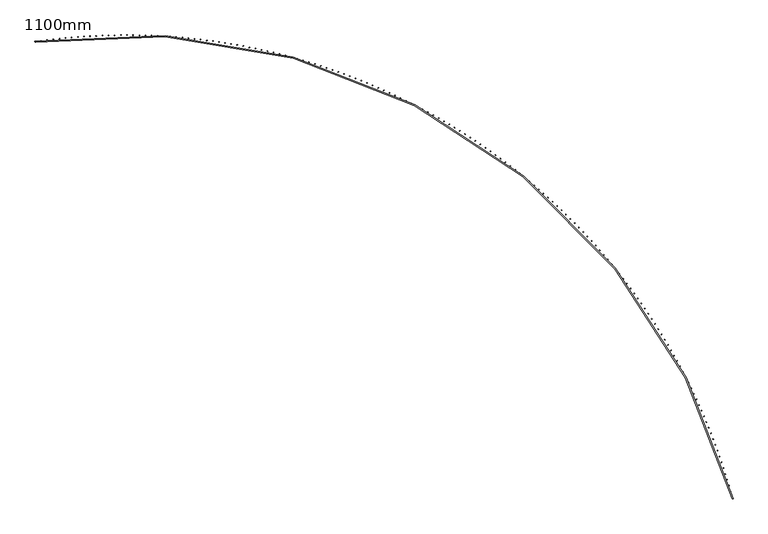
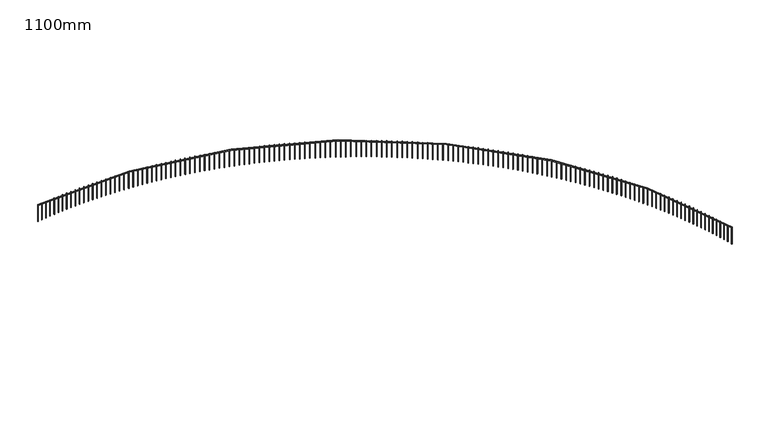
"""IFC4 building model written with IfcOpenShell, lengths in millimetres: railing geometry, 1100mm."""

from ifc_helpers import new_model, si_unit, point, frame, frame_2d, origin, place, context, project, spatial, polyline, circle_curve, trimmed, segment, composite_curve, outline, extrude, source, transform, mapped, element, save


def railing_1100mm_1d221509(model_context):
    return source(origin(), model_context, "Body", "SweptSolid", [
        extrude(outline(composite_curve([segment(trimmed(circle_curve(frame_2d((-8794.2031957, -54023.2815566)), 28027.8933111), [point((18263.3200525, -46712.1093436))], [point((-12873.1716323, -26293.787873))], True, "CARTESIAN"), True, "CONTINUOUS"), segment(polyline([(-12873.1716323, -26293.787873), (-12880.4482557, -26244.3201992)]), True, "CONTINUOUS"), segment(trimmed(circle_curve(frame_2d((-8794.2031957, -54023.2815566)), 28077.8933111), [point((-12880.4482557, -26244.3201992))], [point((18311.5889733, -46699.0666719))], False, "CARTESIAN"), True, "CONTINUOUS"), segment(polyline([(18311.5889733, -46699.0666719), (18263.3200525, -46712.1093436)]), True, "CONTINUOUS")], self_intersect=False)), frame((0.0, 0.0, 27650.0), z_axis=(0.0, 0.0, 1.0), x_axis=(1.0, 0.0, 0.0)), (0.0, 0.0, 1.0), 50.0),
        extrude(outline(polyline([(18256.6030696, -46639.6717561), (18280.7237123, -46633.0994967), (18287.2959717, -46657.2201395), (18263.1753289, -46663.7923988), (18256.6030696, -46639.6717561)])), frame((0.0, 0.0, 26600.0), z_axis=(0.0, 0.0, 1.0), x_axis=(1.0, 0.0, 0.0)), (0.0, 0.0, 1.0), 1050.0),
        extrude(outline(polyline([(18182.9236225, -46374.8541414), (18206.97868, -46368.0457491), (18213.7870723, -46392.1008067), (18189.7320147, -46398.909199), (18182.9236225, -46374.8541414)])), frame((0.0, 0.0, 26600.0), z_axis=(0.0, 0.0, 1.0), x_axis=(1.0, 0.0, 0.0)), (0.0, 0.0, 1.0), 1050.0),
        extrude(outline(polyline([(18106.6517737, -46110.7715122), (18130.6389345, -46103.7276413), (18137.6828054, -46127.7148021), (18113.6956447, -46134.758673), (18106.6517737, -46110.7715122)])), frame((0.0, 0.0, 26600.0), z_axis=(0.0, 0.0, 1.0), x_axis=(1.0, 0.0, 0.0)), (0.0, 0.0, 1.0), 1050.0),
        extrude(outline(polyline([(18027.7948528, -45847.4492458), (18051.7118117, -45840.1705731), (18058.9904844, -45864.087532), (18035.0735255, -45871.3662047), (18027.7948528, -45847.4492458)])), frame((0.0, 0.0, 26600.0), z_axis=(0.0, 0.0, 1.0), x_axis=(1.0, 0.0, 0.0)), (0.0, 0.0, 1.0), 1050.0),
        extrude(outline(polyline([(17946.3604376, -45584.9126465), (17970.2048963, -45577.3998715), (17977.7176713, -45601.2443302), (17953.8732126, -45608.7571052), (17946.3604376, -45584.9126465)])), frame((0.0, 0.0, 26600.0), z_axis=(0.0, 0.0, 1.0), x_axis=(1.0, 0.0, 0.0)), (0.0, 0.0, 1.0), 1050.0),
        extrude(outline(polyline([(17862.3563536, -45323.1869431), (17886.1260207, -45315.4407877), (17893.8721762, -45339.2104549), (17870.102509, -45346.9566103), (17862.3563536, -45323.1869431)])), frame((0.0, 0.0, 26600.0), z_axis=(0.0, 0.0, 1.0), x_axis=(1.0, 0.0, 0.0)), (0.0, 0.0, 1.0), 1050.0),
        extrude(outline(polyline([(17775.7906733, -45062.2972865), (17799.4832647, -45054.3184951), (17807.4620561, -45078.0110865), (17783.7694647, -45085.9898779), (17775.7906733, -45062.2972865)])), frame((0.0, 0.0, 26600.0), z_axis=(0.0, 0.0, 1.0), x_axis=(1.0, 0.0, 0.0)), (0.0, 0.0, 1.0), 1050.0),
        extrude(outline(polyline([(17686.6717154, -44802.2687471), (17710.2849543, -44794.0580864), (17718.4956149, -44817.6713253), (17694.882376, -44825.881986), (17686.6717154, -44802.2687471)])), frame((0.0, 0.0, 26600.0), z_axis=(0.0, 0.0, 1.0), x_axis=(1.0, 0.0, 0.0)), (0.0, 0.0, 1.0), 1050.0),
        extrude(outline(polyline([(17595.0080438, -44543.1263128), (17618.539661, -44534.6845719), (17626.9814019, -44558.2161891), (17603.4497847, -44566.65793), (17595.0080438, -44543.1263128)])), frame((0.0, 0.0, 26600.0), z_axis=(0.0, 0.0, 1.0), x_axis=(1.0, 0.0, 0.0)), (0.0, 0.0, 1.0), 1050.0),
        extrude(outline(polyline([(17500.8084671, -44284.8948862), (17524.2562014, -44276.2228762), (17532.9282113, -44299.6706105), (17509.480477, -44308.3426205), (17500.8084671, -44284.8948862)])), frame((0.0, 0.0, 26600.0), z_axis=(0.0, 0.0, 1.0), x_axis=(1.0, 0.0, 0.0)), (0.0, 0.0, 1.0), 1050.0),
        extrude(outline(polyline([(17404.0820375, -44027.5992823), (17427.4436356, -44018.6978367), (17436.3450812, -44042.0594347), (17412.9834831, -44050.9608804), (17404.0820375, -44027.5992823)])), frame((0.0, 0.0, 26600.0), z_axis=(0.0, 0.0, 1.0), x_axis=(1.0, 0.0, 0.0)), (0.0, 0.0, 1.0), 1050.0),
        extrude(outline(polyline([(17304.8380501, -43771.2642263), (17328.111267, -43762.1342004), (17337.2412929, -43785.4074173), (17313.968076, -43794.5374433), (17304.8380501, -43771.2642263)])), frame((0.0, 0.0, 26600.0), z_axis=(0.0, 0.0, 1.0), x_axis=(1.0, 0.0, 0.0)), (0.0, 0.0, 1.0), 1050.0),
        extrude(outline(polyline([(17203.0860418, -43515.9143511), (17226.2686411, -43506.5566223), (17235.62637, -43529.7392216), (17212.4437706, -43539.0969505), (17203.0860418, -43515.9143511)])), frame((0.0, 0.0, 26600.0), z_axis=(0.0, 0.0, 1.0), x_axis=(1.0, 0.0, 0.0)), (0.0, 0.0, 1.0), 1050.0),
        extrude(outline(polyline([(17098.8357907, -43261.5741949), (17121.9255446, -43251.9896623), (17131.5100771, -43275.0794163), (17108.4203232, -43284.6639488), (17098.8357907, -43261.5741949)])), frame((0.0, 0.0, 26600.0), z_axis=(0.0, 0.0, 1.0), x_axis=(1.0, 0.0, 0.0)), (0.0, 0.0, 1.0), 1050.0),
        extrude(outline(polyline([(16992.0973147, -43008.2681987), (17015.0920044, -42998.4577835), (17024.9024196, -43021.4524732), (17001.9077299, -43031.2628884), (16992.0973147, -43008.2681987)])), frame((0.0, 0.0, 26600.0), z_axis=(0.0, 0.0, 1.0), x_axis=(1.0, 0.0, 0.0)), (0.0, 0.0, 1.0), 1050.0),
        extrude(outline(polyline([(16882.8808711, -42756.0207043), (16905.7782869, -42745.9853493), (16915.813642, -42768.882765), (16892.9162262, -42778.9181201), (16882.8808711, -42756.0207043)])), frame((0.0, 0.0, 26600.0), z_axis=(0.0, 0.0, 1.0), x_axis=(1.0, 0.0, 0.0)), (0.0, 0.0, 1.0), 1050.0),
        extrude(outline(polyline([(16771.1969552, -42504.8559519), (16793.9948967, -42494.5966213), (16804.2542273, -42517.3945627), (16781.4562858, -42527.6538934), (16771.1969552, -42504.8559519)])), frame((0.0, 0.0, 26600.0), z_axis=(0.0, 0.0, 1.0), x_axis=(1.0, 0.0, 0.0)), (0.0, 0.0, 1.0), 1050.0),
        extrude(outline(polyline([(16657.0562994, -42254.7980773), (16679.7525758, -42244.315757), (16690.234896, -42267.0120334), (16667.5386197, -42277.4943537), (16657.0562994, -42254.7980773)])), frame((0.0, 0.0, 26600.0), z_axis=(0.0, 0.0, 1.0), x_axis=(1.0, 0.0, 0.0)), (0.0, 0.0, 1.0), 1050.0),
        extrude(outline(polyline([(16540.4698721, -42005.8711103), (16563.0623024, -41995.1668076), (16573.766605, -42017.7592379), (16551.1741747, -42028.4635405), (16540.4698721, -42005.8711103)])), frame((0.0, 0.0, 26600.0), z_axis=(0.0, 0.0, 1.0), x_axis=(1.0, 0.0, 0.0)), (0.0, 0.0, 1.0), 1050.0),
        extrude(outline(polyline([(16421.4488769, -41758.0989717), (16443.93529, -41747.1737154), (16454.8605463, -41769.6601285), (16432.3741332, -41780.5853848), (16421.4488769, -41758.0989717)])), frame((0.0, 0.0, 26600.0), z_axis=(0.0, 0.0, 1.0), x_axis=(1.0, 0.0, 0.0)), (0.0, 0.0, 1.0), 1050.0),
        extrude(outline(polyline([(16300.0047513, -41511.5054716), (16322.3829864, -41500.3603114), (16333.5281465, -41522.7385465), (16311.1499114, -41533.8837067), (16300.0047513, -41511.5054716)])), frame((0.0, 0.0, 26600.0), z_axis=(0.0, 0.0, 1.0), x_axis=(1.0, 0.0, 0.0)), (0.0, 0.0, 1.0), 1050.0),
        extrude(outline(polyline([(16176.1491655, -41266.1143066), (16198.4170721, -41254.7503137), (16209.7810651, -41277.0182203), (16187.5131585, -41288.3822132), (16176.1491655, -41266.1143066)])), frame((0.0, 0.0, 26600.0), z_axis=(0.0, 0.0, 1.0), x_axis=(1.0, 0.0, 0.0)), (0.0, 0.0, 1.0), 1050.0),
        extrude(outline(polyline([(16049.8940217, -41021.949058), (16072.04946, -41010.3673243), (16083.6311937, -41032.5227625), (16061.4757555, -41044.1044963), (16049.8940217, -41021.949058)])), frame((0.0, 0.0, 26600.0), z_axis=(0.0, 0.0, 1.0), x_axis=(1.0, 0.0, 0.0)), (0.0, 0.0, 1.0), 1050.0),
        extrude(outline(polyline([(15921.2514526, -40779.0331892), (15943.2922934, -40767.2348276), (15955.090655, -40789.2756684), (15933.0498141, -40801.07403), (15921.2514526, -40779.0331892)])), frame((0.0, 0.0, 26600.0), z_axis=(0.0, 0.0, 1.0), x_axis=(1.0, 0.0, 0.0)), (0.0, 0.0, 1.0), 1050.0),
        extrude(outline(polyline([(15790.23382, -40537.3900434), (15812.1579454, -40525.3761878), (15824.171801, -40547.3003131), (15802.2476756, -40559.3141687), (15790.23382, -40537.3900434)])), frame((0.0, 0.0, 26600.0), z_axis=(0.0, 0.0, 1.0), x_axis=(1.0, 0.0, 0.0)), (0.0, 0.0, 1.0), 1050.0),
        extrude(outline(polyline([(15656.8537145, -40297.0428416), (15678.6590176, -40284.8146464), (15690.8872128, -40306.6199495), (15669.0819097, -40318.8481447), (15656.8537145, -40297.0428416)])), frame((0.0, 0.0, 26600.0), z_axis=(0.0, 0.0, 1.0), x_axis=(1.0, 0.0, 0.0)), (0.0, 0.0, 1.0), 1050.0),
        extrude(outline(polyline([(15521.1239533, -40058.0146803), (15542.8083387, -40045.5733207), (15555.2496983, -40067.2577061), (15533.5653129, -40079.6990658), (15521.1239533, -40058.0146803)])), frame((0.0, 0.0, 26600.0), z_axis=(0.0, 0.0, 1.0), x_axis=(1.0, 0.0, 0.0)), (0.0, 0.0, 1.0), 1050.0),
        extrude(outline(polyline([(15383.0575795, -39820.3285293), (15404.6189635, -39807.6752008), (15417.272292, -39829.2365847), (15395.710908, -39841.8899133), (15383.0575795, -39820.3285293)])), frame((0.0, 0.0, 26600.0), z_axis=(0.0, 0.0, 1.0), x_axis=(1.0, 0.0, 0.0)), (0.0, 0.0, 1.0), 1050.0),
        extrude(outline(polyline([(15242.6678609, -39584.0072293), (15264.1041713, -39571.1431478), (15276.9682528, -39592.5794583), (15255.5319423, -39605.4435398), (15242.6678609, -39584.0072293)])), frame((0.0, 0.0, 26600.0), z_axis=(0.0, 0.0, 1.0), x_axis=(1.0, 0.0, 0.0)), (0.0, 0.0, 1.0), 1050.0),
        extrude(outline(polyline([(15099.9682882, -39349.0734899), (15121.2774653, -39335.9998916), (15134.3510636, -39357.3090687), (15113.0418865, -39370.382667), (15099.9682882, -39349.0734899)])), frame((0.0, 0.0, 26600.0), z_axis=(0.0, 0.0, 1.0), x_axis=(1.0, 0.0, 0.0)), (0.0, 0.0, 1.0), 1050.0),
        extrude(outline(polyline([(14954.9725745, -39115.5498873), (14976.1525705, -39102.2680286), (14989.4344292, -39123.4480246), (14968.2544332, -39136.7298833), (14954.9725745, -39115.5498873)])), frame((0.0, 0.0, 26600.0), z_axis=(0.0, 0.0, 1.0), x_axis=(1.0, 0.0, 0.0)), (0.0, 0.0, 1.0), 1050.0),
        extrude(outline(polyline([(14807.6946533, -38883.4588623), (14828.7434328, -38869.9700195), (14842.2322756, -38891.0187991), (14821.1834961, -38904.5076419), (14807.6946533, -38883.4588623)])), frame((0.0, 0.0, 26600.0), z_axis=(0.0, 0.0, 1.0), x_axis=(1.0, 0.0, 0.0)), (0.0, 0.0, 1.0), 1050.0),
        extrude(outline(polyline([(14658.1486774, -38652.8227181), (14679.0642178, -38639.1281874), (14692.7587485, -38660.0437277), (14671.8432081, -38673.7382584), (14658.1486774, -38652.8227181)])), frame((0.0, 0.0, 26600.0), z_axis=(0.0, 0.0, 1.0), x_axis=(1.0, 0.0, 0.0)), (0.0, 0.0, 1.0), 1050.0),
        extrude(outline(polyline([(14506.3490177, -38423.6636177), (14527.129309, -38409.7647152), (14541.0282116, -38430.5450065), (14520.2479203, -38444.443909), (14506.3490177, -38423.6636177)])), frame((0.0, 0.0, 26600.0), z_axis=(0.0, 0.0, 1.0), x_axis=(1.0, 0.0, 0.0)), (0.0, 0.0, 1.0), 1050.0),
        extrude(outline(polyline([(14352.3102615, -38196.0035827), (14372.9533069, -38181.9016439), (14387.0552457, -38202.5446892), (14366.4122004, -38216.6466281), (14352.3102615, -38196.0035827)])), frame((0.0, 0.0, 26600.0), z_axis=(0.0, 0.0, 1.0), x_axis=(1.0, 0.0, 0.0)), (0.0, 0.0, 1.0), 1050.0),
        extrude(outline(polyline([(14196.0472114, -37969.8644903), (14216.5510271, -37955.5608703), (14230.854647, -37976.064686), (14210.3508314, -37990.3683059), (14196.0472114, -37969.8644903)])), frame((0.0, 0.0, 26600.0), z_axis=(0.0, 0.0, 1.0), x_axis=(1.0, 0.0, 0.0)), (0.0, 0.0, 1.0), 1050.0),
        extrude(outline(polyline([(14037.5748837, -37745.2680715), (14057.9374994, -37730.764145), (14072.4414259, -37751.1267606), (14052.0788103, -37765.6306872), (14037.5748837, -37745.2680715)])), frame((0.0, 0.0, 26600.0), z_axis=(0.0, 0.0, 1.0), x_axis=(1.0, 0.0, 0.0)), (0.0, 0.0, 1.0), 1050.0),
        extrude(outline(polyline([(13876.908507, -37522.2359094), (13897.1279659, -37507.5330701), (13911.8308052, -37527.7525289), (13891.6113464, -37542.4553682), (13876.908507, -37522.2359094)])), frame((0.0, 0.0, 26600.0), z_axis=(0.0, 0.0, 1.0), x_axis=(1.0, 0.0, 0.0)), (0.0, 0.0, 1.0), 1050.0),
        extrude(outline(polyline([(13714.0635208, -37300.7894364), (13734.1378798, -37285.8890972), (13749.038219, -37305.9634562), (13728.96386, -37320.8637954), (13714.0635208, -37300.7894364)])), frame((0.0, 0.0, 26600.0), z_axis=(0.0, 0.0, 1.0), x_axis=(1.0, 0.0, 0.0)), (0.0, 0.0, 1.0), 1050.0),
        extrude(outline(polyline([(13549.0555737, -37080.9499328), (13568.9829038, -37065.8535255), (13584.0793112, -37085.7808556), (13564.151981, -37100.8772629), (13549.0555737, -37080.9499328)])), frame((0.0, 0.0, 26600.0), z_axis=(0.0, 0.0, 1.0), x_axis=(1.0, 0.0, 0.0)), (0.0, 0.0, 1.0), 1050.0),
        extrude(outline(polyline([(13381.9005225, -36862.7385242), (13401.6789088, -36847.4474996), (13416.9699335, -36867.2258859), (13397.1915472, -36882.5169105), (13381.9005225, -36862.7385242)])), frame((0.0, 0.0, 26600.0), z_axis=(0.0, 0.0, 1.0), x_axis=(1.0, 0.0, 0.0)), (0.0, 0.0, 1.0), 1050.0),
        extrude(outline(polyline([(13212.6144302, -36646.1761801), (13232.2419721, -36630.6920075), (13247.7261447, -36650.3195493), (13228.0986029, -36665.8037219), (13212.6144302, -36646.1761801)])), frame((0.0, 0.0, 26600.0), z_axis=(0.0, 0.0, 1.0), x_axis=(1.0, 0.0, 0.0)), (0.0, 0.0, 1.0), 1050.0),
        extrude(outline(polyline([(13041.2135646, -36431.2837112), (13060.6883758, -36415.6078786), (13076.3642084, -36435.0826898), (13056.8893971, -36450.7585224), (13041.2135646, -36431.2837112)])), frame((0.0, 0.0, 26600.0), z_axis=(0.0, 0.0, 1.0), x_axis=(1.0, 0.0, 0.0)), (0.0, 0.0, 1.0), 1050.0),
        extrude(outline(polyline([(12867.7143965, -36218.0817679), (12887.0346057, -36202.2157817), (12902.9005918, -36221.5359909), (12883.5803827, -36237.4019771), (12867.7143965, -36218.0817679)])), frame((0.0, 0.0, 26600.0), z_axis=(0.0, 0.0, 1.0), x_axis=(1.0, 0.0, 0.0)), (0.0, 0.0, 1.0), 1050.0),
        extrude(outline(polyline([(12692.1335987, -36006.5908381), (12711.2973492, -35990.536223), (12727.3519643, -36009.6999735), (12708.1882137, -36025.7545886), (12692.1335987, -36006.5908381)])), frame((0.0, 0.0, 26600.0), z_axis=(0.0, 0.0, 1.0), x_axis=(1.0, 0.0, 0.0)), (0.0, 0.0, 1.0), 1050.0),
        extrude(outline(polyline([(12514.4880437, -35796.8312453), (12533.4934941, -35780.5895441), (12549.7351953, -35799.5949944), (12530.7297449, -35815.8366956), (12514.4880437, -35796.8312453)])), frame((0.0, 0.0, 26600.0), z_axis=(0.0, 0.0, 1.0), x_axis=(1.0, 0.0, 0.0)), (0.0, 0.0, 1.0), 1050.0),
        extrude(outline(polyline([(12334.7948028, -35588.8231466), (12353.6401265, -35572.3959201), (12370.0673531, -35591.2412438), (12351.2220293, -35607.6684704), (12334.7948028, -35588.8231466)])), frame((0.0, 0.0, 26600.0), z_axis=(0.0, 0.0, 1.0), x_axis=(1.0, 0.0, 0.0)), (0.0, 0.0, 1.0), 1050.0),
        extrude(outline(polyline([(12153.0711436, -35382.5865309), (12171.7545299, -35365.9753576), (12188.3657032, -35384.6587438), (12169.682317, -35401.2699171), (12153.0711436, -35382.5865309)])), frame((0.0, 0.0, 26600.0), z_axis=(0.0, 0.0, 1.0), x_axis=(1.0, 0.0, 0.0)), (0.0, 0.0, 1.0), 1050.0),
        extrude(outline(polyline([(11969.3345293, -35178.1412167), (11987.8541826, -35161.3476929), (12004.6477064, -35179.8673462), (11986.1280531, -35196.66087), (11969.3345293, -35178.1412167)])), frame((0.0, 0.0, 26600.0), z_axis=(0.0, 0.0, 1.0), x_axis=(1.0, 0.0, 0.0)), (0.0, 0.0, 1.0), 1050.0),
        extrude(outline(polyline([(11783.6026162, -34975.5068504), (11801.9567569, -34958.5325899), (11818.9310174, -34976.8867306), (11800.5768767, -34993.8609911), (11783.6026162, -34975.5068504)])), frame((0.0, 0.0, 26600.0), z_axis=(0.0, 0.0, 1.0), x_axis=(1.0, 0.0, 0.0)), (0.0, 0.0, 1.0), 1050.0),
        extrude(outline(polyline([(11595.8932524, -34774.7029045), (11614.0801167, -34757.5495385), (11631.2334827, -34775.7364028), (11613.0466184, -34792.8897688), (11595.8932524, -34774.7029045)])), frame((0.0, 0.0, 26600.0), z_axis=(0.0, 0.0, 1.0), x_axis=(1.0, 0.0, 0.0)), (0.0, 0.0, 1.0), 1050.0),
        extrude(outline(polyline([(11406.2244761, -34575.7486755), (11424.2423164, -34558.4178522), (11441.5731396, -34576.4356925), (11423.5552993, -34593.7665157), (11406.2244761, -34575.7486755)])), frame((0.0, 0.0, 26600.0), z_axis=(0.0, 0.0, 1.0), x_axis=(1.0, 0.0, 0.0)), (0.0, 0.0, 1.0), 1050.0),
        extrude(outline(polyline([(11214.6145138, -34378.663282), (11232.4615986, -34361.1566671), (11249.9682135, -34379.0037518), (11232.1211288, -34396.5103667), (11214.6145138, -34378.663282)])), frame((0.0, 0.0, 26600.0), z_axis=(0.0, 0.0, 1.0), x_axis=(1.0, 0.0, 0.0)), (0.0, 0.0, 1.0), 1050.0),
        extrude(outline(polyline([(11021.0817786, -34183.4656634), (11038.7563927, -34165.784939), (11056.4371171, -34183.4595532), (11038.7625029, -34201.1402776), (11021.0817786, -34183.4656634)])), frame((0.0, 0.0, 26600.0), z_axis=(0.0, 0.0, 1.0), x_axis=(1.0, 0.0, 0.0)), (0.0, 0.0, 1.0), 1050.0),
        extrude(outline(polyline([(10825.644868, -33990.1745773), (10843.1453132, -33972.3214426), (10860.9984479, -33989.8218878), (10843.4980027, -34007.6750225), (10825.644868, -33990.1745773)])), frame((0.0, 0.0, 26600.0), z_axis=(0.0, 0.0, 1.0), x_axis=(1.0, 0.0, 0.0)), (0.0, 0.0, 1.0), 1050.0),
        extrude(outline(polyline([(10628.322563, -33798.8085983), (10645.6471575, -33780.7847689), (10663.6709869, -33798.1093633), (10646.3463925, -33816.1331928), (10628.322563, -33798.8085983)])), frame((0.0, 0.0, 26600.0), z_axis=(0.0, 0.0, 1.0), x_axis=(1.0, 0.0, 0.0)), (0.0, 0.0, 1.0), 1050.0),
        extrude(outline(polyline([(10429.1338255, -33609.3861161), (10446.2809044, -33591.1933239), (10464.4736965, -33608.3404028), (10447.3266177, -33626.5331949), (10429.1338255, -33609.3861161)])), frame((0.0, 0.0, 26600.0), z_axis=(0.0, 0.0, 1.0), x_axis=(1.0, 0.0, 0.0)), (0.0, 0.0, 1.0), 1050.0),
        extrude(outline(polyline([(10228.0977967, -33421.9253333), (10245.0657123, -33403.5653266), (10263.4257189, -33420.5332422), (10246.4578034, -33438.8932488), (10228.0977967, -33421.9253333)])), frame((0.0, 0.0, 26600.0), z_axis=(0.0, 0.0, 1.0), x_axis=(1.0, 0.0, 0.0)), (0.0, 0.0, 1.0), 1050.0),
        extrude(outline(polyline([(10025.2337956, -33236.4442642), (10042.0209172, -33217.9188075), (10060.5463739, -33234.7059291), (10043.7592523, -33253.2313858), (10025.2337956, -33236.4442642)])), frame((0.0, 0.0, 26600.0), z_axis=(0.0, 0.0, 1.0), x_axis=(1.0, 0.0, 0.0)), (0.0, 0.0, 1.0), 1050.0),
        extrude(outline(polyline([(9820.5613164, -33052.960733), (9837.166031, -33034.2716063), (9855.8551576, -33050.8763209), (9839.2504431, -33069.5654475), (9820.5613164, -33052.960733)])), frame((0.0, 0.0, 26600.0), z_axis=(0.0, 0.0, 1.0), x_axis=(1.0, 0.0, 0.0)), (0.0, 0.0, 1.0), 1050.0),
        extrude(outline(polyline([(9614.1000276, -32871.4923716), (9630.5207394, -32852.641371), (9649.37174, -32869.0620829), (9632.9510282, -32887.9130834), (9614.1000276, -32871.4923716)])), frame((0.0, 0.0, 26600.0), z_axis=(0.0, 0.0, 1.0), x_axis=(1.0, 0.0, 0.0)), (0.0, 0.0, 1.0), 1050.0),
        extrude(outline(polyline([(9405.8697693, -32692.0566186), (9422.1049004, -32673.0455556), (9441.1159634, -32689.2806867), (9424.8808323, -32708.2917497), (9405.8697693, -32692.0566186)])), frame((0.0, 0.0, 26600.0), z_axis=(0.0, 0.0, 1.0), x_axis=(1.0, 0.0, 0.0)), (0.0, 0.0, 1.0), 1050.0),
        extrude(outline(polyline([(9195.8905516, -32514.670717), (9211.9385419, -32495.5014184), (9231.1078405, -32511.5494087), (9215.0598502, -32530.7187073), (9195.8905516, -32514.670717)])), frame((0.0, 0.0, 26600.0), z_axis=(0.0, 0.0, 1.0), x_axis=(1.0, 0.0, 0.0)), (0.0, 0.0, 1.0), 1050.0),
        extrude(outline(polyline([(8984.1825528, -32339.3517129), (9000.0418601, -32320.0260209), (9019.3675521, -32335.8853282), (9003.5082448, -32355.2110202), (8984.1825528, -32339.3517129)])), frame((0.0, 0.0, 26600.0), z_axis=(0.0, 0.0, 1.0), x_axis=(1.0, 0.0, 0.0)), (0.0, 0.0, 1.0), 1050.0),
        extrude(outline(polyline([(8770.7661172, -32166.1164539), (8786.4352175, -32146.6362256), (8805.9154458, -32162.3053259), (8790.2463455, -32181.7855542), (8770.7661172, -32166.1164539)])), frame((0.0, 0.0, 26600.0), z_axis=(0.0, 0.0, 1.0), x_axis=(1.0, 0.0, 0.0)), (0.0, 0.0, 1.0), 1050.0),
        extrude(outline(polyline([(8555.6617533, -31994.9815872), (8571.1391408, -31975.3486946), (8590.7720335, -31990.8260822), (8575.2946459, -32010.4589748), (8555.6617533, -31994.9815872)])), frame((0.0, 0.0, 26600.0), z_axis=(0.0, 0.0, 1.0), x_axis=(1.0, 0.0, 0.0)), (0.0, 0.0, 1.0), 1050.0),
        extrude(outline(polyline([(8338.8901319, -31825.9635583), (8354.1743194, -31806.179888), (8373.9579897, -31821.4640755), (8358.6738022, -31841.2477458), (8338.8901319, -31825.9635583)])), frame((0.0, 0.0, 26600.0), z_axis=(0.0, 0.0, 1.0), x_axis=(1.0, 0.0, 0.0)), (0.0, 0.0, 1.0), 1050.0),
        extrude(outline(polyline([(8120.4720839, -31659.0786091), (8135.5616026, -31639.1460622), (8155.4941494, -31654.2355809), (8140.4046308, -31674.1681278), (8120.4720839, -31659.0786091)])), frame((0.0, 0.0, 26600.0), z_axis=(0.0, 0.0, 1.0), x_axis=(1.0, 0.0, 0.0)), (0.0, 0.0, 1.0), 1050.0),
        extrude(outline(polyline([(7900.4285984, -31494.3427768), (7915.3219983, -31474.2632687), (7935.4015063, -31489.1566686), (7920.5081064, -31509.2361766), (7900.4285984, -31494.3427768)])), frame((0.0, 0.0, 26600.0), z_axis=(0.0, 0.0, 1.0), x_axis=(1.0, 0.0, 0.0)), (0.0, 0.0, 1.0), 1050.0),
        extrude(outline(polyline([(7678.780821, -31331.7718916), (7693.4766707, -31311.5473521), (7713.7012103, -31326.2432018), (7699.0053605, -31346.4677414), (7678.780821, -31331.7718916)])), frame((0.0, 0.0, 26600.0), z_axis=(0.0, 0.0, 1.0), x_axis=(1.0, 0.0, 0.0)), (0.0, 0.0, 1.0), 1050.0),
        extrude(outline(polyline([(7455.5500509, -31171.3815763), (7470.0469384, -31151.0139487), (7490.414566, -31165.5108361), (7475.9176785, -31185.8784637), (7455.5500509, -31171.3815763)])), frame((0.0, 0.0, 26600.0), z_axis=(0.0, 0.0, 1.0), x_axis=(1.0, 0.0, 0.0)), (0.0, 0.0, 1.0), 1050.0),
        extrude(outline(polyline([(7230.75774, -31013.1872435), (7245.0542721, -30992.6784852), (7265.5630305, -31006.9750172), (7251.2664984, -31027.4837756), (7230.75774, -31013.1872435)])), frame((0.0, 0.0, 26600.0), z_axis=(0.0, 0.0, 1.0), x_axis=(1.0, 0.0, 0.0)), (0.0, 0.0, 1.0), 1050.0),
        extrude(outline(polyline([(7004.4254899, -30857.2040953), (7018.5202928, -30836.556177), (7039.1682112, -30850.6509799), (7025.0734083, -30871.2988982), (7004.4254899, -30857.2040953)])), frame((0.0, 0.0, 26600.0), z_axis=(0.0, 0.0, 1.0), x_axis=(1.0, 0.0, 0.0)), (0.0, 0.0, 1.0), 1050.0),
        extrude(outline(polyline([(6776.5750504, -30703.4471211), (6790.4667695, -30682.6620269), (6811.2518637, -30696.5537461), (6797.3601445, -30717.3388403), (6776.5750504, -30703.4471211)])), frame((0.0, 0.0, 26600.0), z_axis=(0.0, 0.0, 1.0), x_axis=(1.0, 0.0, 0.0)), (0.0, 0.0, 1.0), 1050.0),
        extrude(outline(polyline([(6547.2283169, -30551.9310962), (6560.9156174, -30531.0108237), (6581.83589, -30544.6981243), (6568.1485894, -30565.6183968), (6547.2283169, -30551.9310962)])), frame((0.0, 0.0, 26600.0), z_axis=(0.0, 0.0, 1.0), x_axis=(1.0, 0.0, 0.0)), (0.0, 0.0, 1.0), 1050.0),
        extrude(outline(polyline([(6316.4073288, -30402.6705809), (6329.8888955, -30381.6171403), (6350.9423361, -30395.098707), (6337.4607694, -30416.1521476), (6316.4073288, -30402.6705809)])), frame((0.0, 0.0, 26600.0), z_axis=(0.0, 0.0, 1.0), x_axis=(1.0, 0.0, 0.0)), (0.0, 0.0, 1.0), 1050.0),
        extrude(outline(polyline([(6084.1342673, -30255.6799185), (6097.4088045, -30234.495333), (6118.59339, -30247.7698702), (6105.3188528, -30268.9544557), (6084.1342673, -30255.6799185)])), frame((0.0, 0.0, 26600.0), z_axis=(0.0, 0.0, 1.0), x_axis=(1.0, 0.0, 0.0)), (0.0, 0.0, 1.0), 1050.0),
        extrude(outline(polyline([(5850.4314528, -30110.9732343), (5863.4976849, -30089.6595397), (5884.8113795, -30102.7257718), (5871.7451474, -30124.0394664), (5850.4314528, -30110.9732343)])), frame((0.0, 0.0, 26600.0), z_axis=(0.0, 0.0, 1.0), x_axis=(1.0, 0.0, 0.0)), (0.0, 0.0, 1.0), 1050.0),
        extrude(outline(polyline([(5615.3213434, -29968.564434), (5628.1780148, -29947.1236785), (5649.6187704, -29959.9803499), (5636.762099, -29981.4211055), (5615.3213434, -29968.564434)])), frame((0.0, 0.0, 26600.0), z_axis=(0.0, 0.0, 1.0), x_axis=(1.0, 0.0, 0.0)), (0.0, 0.0, 1.0), 1050.0),
        extrude(outline(polyline([(5378.8265322, -29828.4672027), (5391.4724074, -29806.9014465), (5413.0381636, -29819.5473217), (5400.3922884, -29841.1130779), (5378.8265322, -29828.4672027)])), frame((0.0, 0.0, 26600.0), z_axis=(0.0, 0.0, 1.0), x_axis=(1.0, 0.0, 0.0)), (0.0, 0.0, 1.0), 1050.0),
        extrude(outline(polyline([(5140.9697455, -29690.695003), (5153.4036094, -29669.0063187), (5175.0922937, -29681.4401825), (5162.6584299, -29703.1288669), (5140.9697455, -29690.695003)])), frame((0.0, 0.0, 26600.0), z_axis=(0.0, 0.0, 1.0), x_axis=(1.0, 0.0, 0.0)), (0.0, 0.0, 1.0), 1050.0),
        extrude(outline(polyline([(4901.7738405, -29555.2610745), (4913.9944981, -29533.4515462), (4935.8040265, -29545.6722037), (4923.5833689, -29567.4817321), (4901.7738405, -29555.2610745)])), frame((0.0, 0.0, 26600.0), z_axis=(0.0, 0.0, 1.0), x_axis=(1.0, 0.0, 0.0)), (0.0, 0.0, 1.0), 1050.0),
        extrude(outline(polyline([(4661.2618031, -29422.1784318), (4673.2680801, -29400.2501553), (4695.1963566, -29412.2564322), (4683.1900797, -29434.1847088), (4661.2618031, -29422.1784318)])), frame((0.0, 0.0, 26600.0), z_axis=(0.0, 0.0, 1.0), x_axis=(1.0, 0.0, 0.0)), (0.0, 0.0, 1.0), 1050.0),
        extrude(outline(polyline([(4419.4567454, -29291.4598637), (4431.247488, -29269.4149462), (4453.2924056, -29281.2056888), (4441.501663, -29303.2506063), (4419.4567454, -29291.4598637)])), frame((0.0, 0.0, 26600.0), z_axis=(0.0, 0.0, 1.0), x_axis=(1.0, 0.0, 0.0)), (0.0, 0.0, 1.0), 1050.0),
        extrude(outline(polyline([(4176.3819042, -29163.1179317), (4187.9559794, -29140.9584917), (4210.1154194, -29152.5325669), (4198.5413443, -29174.6920069), (4176.3819042, -29163.1179317)])), frame((0.0, 0.0, 26600.0), z_axis=(0.0, 0.0, 1.0), x_axis=(1.0, 0.0, 0.0)), (0.0, 0.0, 1.0), 1050.0),
        extrude(outline(polyline([(3932.0606379, -29037.1649691), (3943.4169335, -29014.8931359), (3965.6887666, -29026.2494315), (3954.3324711, -29048.5212646), (3932.0606379, -29037.1649691)])), frame((0.0, 0.0, 26600.0), z_axis=(0.0, 0.0, 1.0), x_axis=(1.0, 0.0, 0.0)), (0.0, 0.0, 1.0), 1050.0),
        extrude(outline(polyline([(3686.516425, -28913.6130794), (3697.6538496, -28891.2309934), (3720.0359356, -28902.368418), (3708.898511, -28924.750504), (3686.516425, -28913.6130794)])), frame((0.0, 0.0, 26600.0), z_axis=(0.0, 0.0, 1.0), x_axis=(1.0, 0.0, 0.0)), (0.0, 0.0, 1.0), 1050.0),
        extrude(outline(polyline([(3439.7728613, -28792.4741354), (3450.6903448, -28769.9839474), (3473.1805327, -28780.9014309), (3462.2630493, -28803.3916188), (3439.7728613, -28792.4741354)])), frame((0.0, 0.0, 26600.0), z_axis=(0.0, 0.0, 1.0), x_axis=(1.0, 0.0, 0.0)), (0.0, 0.0, 1.0), 1050.0),
        extrude(outline(polyline([(3191.853658, -28673.7597783), (3202.5501511, -28651.1636495), (3225.1462799, -28661.8601426), (3214.4497868, -28684.4562714), (3191.853658, -28673.7597783)])), frame((0.0, 0.0, 26600.0), z_axis=(0.0, 0.0, 1.0), x_axis=(1.0, 0.0, 0.0)), (0.0, 0.0, 1.0), 1050.0),
        extrude(outline(polyline([(2942.7826392, -28557.481416), (2953.2571141, -28534.7815179), (2975.9570122, -28545.2559927), (2965.4825374, -28567.9558909), (2942.7826392, -28557.481416)])), frame((0.0, 0.0, 26600.0), z_axis=(0.0, 0.0, 1.0), x_axis=(1.0, 0.0, 0.0)), (0.0, 0.0, 1.0), 1050.0),
        extrude(outline(polyline([(2692.5837397, -28443.6502225), (2702.8351898, -28420.8487363), (2725.6366759, -28431.1001864), (2715.3852259, -28453.9016726), (2692.5837397, -28443.6502225)])), frame((0.0, 0.0, 26600.0), z_axis=(0.0, 0.0, 1.0), x_axis=(1.0, 0.0, 0.0)), (0.0, 0.0, 1.0), 1050.0),
        extrude(outline(polyline([(2441.2810026, -28332.2771364), (2451.3084428, -28309.3762534), (2474.2093258, -28319.4036936), (2464.1818857, -28342.3045766), (2441.2810026, -28332.2771364)])), frame((0.0, 0.0, 26600.0), z_axis=(0.0, 0.0, 1.0), x_axis=(1.0, 0.0, 0.0)), (0.0, 0.0, 1.0), 1050.0),
        extrude(outline(polyline([(2188.8985773, -28223.3728604), (2198.701044, -28200.3747812), (2221.6991232, -28210.1772478), (2211.8966565, -28233.1753271), (2188.8985773, -28223.3728604)])), frame((0.0, 0.0, 26600.0), z_axis=(0.0, 0.0, 1.0), x_axis=(1.0, 0.0, 0.0)), (0.0, 0.0, 1.0), 1050.0),
        extrude(outline(polyline([(1935.4607167, -28116.9478597), (1945.0372679, -28093.8547943), (1968.1303332, -28103.4313455), (1958.5537821, -28126.5244109), (1935.4607167, -28116.9478597)])), frame((0.0, 0.0, 26600.0), z_axis=(0.0, 0.0, 1.0), x_axis=(1.0, 0.0, 0.0)), (0.0, 0.0, 1.0), 1050.0),
        extrude(outline(polyline([(1680.9917753, -28013.0123614), (1690.3414907, -27989.826529), (1713.5273231, -27999.1762444), (1704.1776077, -28022.3620768), (1680.9917753, -28013.0123614)])), frame((0.0, 0.0, 26600.0), z_axis=(0.0, 0.0, 1.0), x_axis=(1.0, 0.0, 0.0)), (0.0, 0.0, 1.0), 1050.0),
        extrude(outline(polyline([(1425.5162066, -27911.5763533), (1434.6381878, -27888.299982), (1457.914559, -27897.4219632), (1448.7925779, -27920.6983344), (1425.5162066, -27911.5763533)])), frame((0.0, 0.0, 26600.0), z_axis=(0.0, 0.0, 1.0), x_axis=(1.0, 0.0, 0.0)), (0.0, 0.0, 1.0), 1050.0),
        extrude(outline(polyline([(1169.0585609, -27812.6495829), (1177.9519312, -27789.2849095), (1201.3166046, -27798.1782799), (1192.4232343, -27821.5429533), (1169.0585609, -27812.6495829)])), frame((0.0, 0.0, 26600.0), z_axis=(0.0, 0.0, 1.0), x_axis=(1.0, 0.0, 0.0)), (0.0, 0.0, 1.0), 1050.0),
        extrude(outline(polyline([(911.6434827, -27716.2415569), (920.3073876, -27692.7908266), (943.7581179, -27701.4547315), (935.094213, -27724.9054618), (911.6434827, -27716.2415569)])), frame((0.0, 0.0, 26600.0), z_axis=(0.0, 0.0, 1.0), x_axis=(1.0, 0.0, 0.0)), (0.0, 0.0, 1.0), 1050.0),
        extrude(outline(polyline([(653.2957087, -27622.3615397), (661.7293156, -27598.827006), (685.2638493, -27607.2606129), (676.8302424, -27630.7951466), (653.2957087, -27622.3615397)])), frame((0.0, 0.0, 26600.0), z_axis=(0.0, 0.0, 1.0), x_axis=(1.0, 0.0, 0.0)), (0.0, 0.0, 1.0), 1050.0),
        extrude(outline(polyline([(394.0400652, -27531.0185527), (402.2425637, -27507.4024773), (425.8586391, -27515.6049757), (417.6561407, -27539.2210512), (394.0400652, -27531.0185527)])), frame((0.0, 0.0, 26600.0), z_axis=(0.0, 0.0, 1.0), x_axis=(1.0, 0.0, 0.0)), (0.0, 0.0, 1.0), 1050.0),
        extrude(outline(polyline([(133.9014657, -27442.2213738), (141.8720675, -27418.526026), (165.5674153, -27426.4966277), (157.5968135, -27450.1919755), (133.9014657, -27442.2213738)])), frame((0.0, 0.0, 26600.0), z_axis=(0.0, 0.0, 1.0), x_axis=(1.0, 0.0, 0.0)), (0.0, 0.0, 1.0), 1050.0),
        extrude(outline(polyline([(-127.0950915, -27355.9785359), (-119.3571524, -27332.2061928), (-95.5848092, -27339.9441319), (-103.3227484, -27363.716475), (-127.0950915, -27355.9785359)])), frame((0.0, 0.0, 26600.0), z_axis=(0.0, 0.0, 1.0), x_axis=(1.0, 0.0, 0.0)), (0.0, 0.0, 1.0), 1050.0),
        extrude(outline(polyline([(-388.9245256, -27272.2983267), (-381.4199926, -27248.4512727), (-357.5729386, -27255.9558056), (-365.0774715, -27279.8028596), (-388.9245256, -27272.2983267)])), frame((0.0, 0.0, 26600.0), z_axis=(0.0, 0.0, 1.0), x_axis=(1.0, 0.0, 0.0)), (0.0, 0.0, 1.0), 1050.0),
        extrude(outline(polyline([(-651.5616757, -27191.1887876), (-644.2912701, -27167.2693143), (-620.3717968, -27174.5397199), (-627.6422024, -27198.4591932), (-651.5616757, -27191.1887876)])), frame((0.0, 0.0, 26600.0), z_axis=(0.0, 0.0, 1.0), x_axis=(1.0, 0.0, 0.0)), (0.0, 0.0, 1.0), 1050.0),
        extrude(outline(polyline([(-914.9813034, -27112.6577129), (-907.9457238, -27088.6681189), (-883.9561298, -27095.7036984), (-890.9917093, -27119.6932924), (-914.9813034, -27112.6577129)])), frame((0.0, 0.0, 26600.0), z_axis=(0.0, 0.0, 1.0), x_axis=(1.0, 0.0, 0.0)), (0.0, 0.0, 1.0), 1050.0),
        extrude(outline(polyline([(-1179.158095, -27036.712649), (-1172.3580176, -27012.6552396), (-1148.3006082, -27019.4553171), (-1155.1006856, -27043.5127265), (-1179.158095, -27036.712649)])), frame((0.0, 0.0, 26600.0), z_axis=(0.0, 0.0, 1.0), x_axis=(1.0, 0.0, 0.0)), (0.0, 0.0, 1.0), 1050.0),
        extrude(outline(polyline([(-1444.0666641, -26963.3608942), (-1437.5027423, -26939.2379812), (-1413.3798293, -26945.8019031), (-1419.9437512, -26969.924816), (-1444.0666641, -26963.3608942)])), frame((0.0, 0.0, 26600.0), z_axis=(0.0, 0.0, 1.0), x_axis=(1.0, 0.0, 0.0)), (0.0, 0.0, 1.0), 1050.0),
        extrude(outline(polyline([(-1709.6815541, -26892.6094971), (-1703.3544186, -26868.4233987), (-1679.1683202, -26874.7505342), (-1685.4954557, -26898.9366326), (-1709.6815541, -26892.6094971)])), frame((0.0, 0.0, 26600.0), z_axis=(0.0, 0.0, 1.0), x_axis=(1.0, 0.0, 0.0)), (0.0, 0.0, 1.0), 1050.0),
        extrude(outline(polyline([(-1975.9772402, -26824.4652568), (-1969.8874991, -26800.2182972), (-1945.6405395, -26806.3080383), (-1951.7302806, -26830.5549979), (-1975.9772402, -26824.4652568)])), frame((0.0, 0.0, 26600.0), z_axis=(0.0, 0.0, 1.0), x_axis=(1.0, 0.0, 0.0)), (0.0, 0.0, 1.0), 1050.0),
        extrude(outline(polyline([(-2242.9281326, -26758.9347217), (-2237.076371, -26734.6292308), (-2212.7708801, -26740.4809923), (-2218.6226417, -26764.7864832), (-2242.9281326, -26758.9347217)])), frame((0.0, 0.0, 26600.0), z_axis=(0.0, 0.0, 1.0), x_axis=(1.0, 0.0, 0.0)), (0.0, 0.0, 1.0), 1050.0),
        extrude(outline(polyline([(-2510.5085781, -26696.0241889), (-2504.8953584, -26671.6625025), (-2480.533672, -26677.2757221), (-2486.1468916, -26701.6374085), (-2510.5085781, -26696.0241889)])), frame((0.0, 0.0, 26600.0), z_axis=(0.0, 0.0, 1.0), x_axis=(1.0, 0.0, 0.0)), (0.0, 0.0, 1.0), 1050.0),
        extrude(outline(polyline([(-2778.6928633, -26635.739704), (-2773.3187249, -26611.3241631), (-2748.903184, -26616.6983014), (-2754.2773224, -26641.1138423), (-2778.6928633, -26635.739704)])), frame((0.0, 0.0, 26600.0), z_axis=(0.0, 0.0, 1.0), x_axis=(1.0, 0.0, 0.0)), (0.0, 0.0, 1.0), 1050.0),
        extrude(outline(polyline([(-3047.4552167, -26578.08706), (-3042.3206761, -26553.6200109), (-3017.8536269, -26558.7545515), (-3022.9881675, -26583.2216006), (-3047.4552167, -26578.08706)])), frame((0.0, 0.0, 26600.0), z_axis=(0.0, 0.0, 1.0), x_axis=(1.0, 0.0, 0.0)), (0.0, 0.0, 1.0), 1050.0),
        extrude(outline(polyline([(-3316.7698112, -26523.0717973), (-3311.8753617, -26498.5555911), (-3287.3591556, -26503.4500406), (-3292.253605, -26527.9662467), (-3316.7698112, -26523.0717973)])), frame((0.0, 0.0, 26600.0), z_axis=(0.0, 0.0, 1.0), x_axis=(1.0, 0.0, 0.0)), (0.0, 0.0, 1.0), 1050.0),
        extrude(outline(polyline([(-3586.6107667, -26470.6992025), (-3581.9568787, -26446.1361952), (-3557.3938714, -26450.7900831), (-3562.0477594, -26475.3530904), (-3586.6107667, -26470.6992025)])), frame((0.0, 0.0, 26600.0), z_axis=(0.0, 0.0, 1.0), x_axis=(1.0, 0.0, 0.0)), (0.0, 0.0, 1.0), 1050.0),
        extrude(outline(polyline([(-3856.9521524, -26420.9743084), (-3852.5392732, -26396.3668604), (-3827.9318252, -26400.7797396), (-3832.3447044, -26425.3871876), (-3856.9521524, -26420.9743084)])), frame((0.0, 0.0, 26600.0), z_axis=(0.0, 0.0, 1.0), x_axis=(1.0, 0.0, 0.0)), (0.0, 0.0, 1.0), 1050.0),
        extrude(outline(polyline([(-4127.7679897, -26373.9018935), (-4123.5965432, -26349.2523694), (-4098.9470192, -26353.4238159), (-4103.1184657, -26378.0733399), (-4127.7679897, -26373.9018935)])), frame((0.0, 0.0, 26600.0), z_axis=(0.0, 0.0, 1.0), x_axis=(1.0, 0.0, 0.0)), (0.0, 0.0, 1.0), 1050.0),
        extrude(outline(polyline([(-4399.032254, -26329.4864811), (-4395.1026412, -26304.7972498), (-4370.4134099, -26308.7268626), (-4374.3430227, -26333.416094), (-4399.032254, -26329.4864811)])), frame((0.0, 0.0, 26600.0), z_axis=(0.0, 0.0, 1.0), x_axis=(1.0, 0.0, 0.0)), (0.0, 0.0, 1.0), 1050.0),
        extrude(outline(polyline([(-4670.7188779, -26287.7323396), (-4667.0314764, -26263.0057735), (-4642.3049103, -26266.6931751), (-4645.9923118, -26291.4197411), (-4670.7188779, -26287.7323396)])), frame((0.0, 0.0, 26600.0), z_axis=(0.0, 0.0, 1.0), x_axis=(1.0, 0.0, 0.0)), (0.0, 0.0, 1.0), 1050.0),
        extrude(outline(polyline([(-4942.8017533, -26248.6434812), (-4939.3569174, -26223.8819565), (-4914.5953927, -26227.3267925), (-4918.0402287, -26252.0883172), (-4942.8017533, -26248.6434812)])), frame((0.0, 0.0, 26600.0), z_axis=(0.0, 0.0, 1.0), x_axis=(1.0, 0.0, 0.0)), (0.0, 0.0, 1.0), 1050.0),
        extrude(outline(polyline([(-5215.2547341, -26212.2236623), (-5212.0527948, -26187.4295585), (-5187.258691, -26190.6314978), (-5190.4606303, -26215.4256017), (-5215.2547341, -26212.2236623)])), frame((0.0, 0.0, 26600.0), z_axis=(0.0, 0.0, 1.0), x_axis=(1.0, 0.0, 0.0)), (0.0, 0.0, 1.0), 1050.0),
        extrude(outline(polyline([(-5488.0516386, -26178.4763827), (-5485.0929036, -26153.6520824), (-5460.2686033, -26156.6108174), (-5463.2273382, -26181.4351177), (-5488.0516386, -26178.4763827)])), frame((0.0, 0.0, 26600.0), z_axis=(0.0, 0.0, 1.0), x_axis=(1.0, 0.0, 0.0)), (0.0, 0.0, 1.0), 1050.0),
        extrude(outline(polyline([(-5761.1662519, -26147.4048854), (-5758.4510056, -26122.5527741), (-5733.5988942, -26125.2680204), (-5736.3141406, -26150.1201318), (-5761.1662519, -26147.4048854)])), frame((0.0, 0.0, 26600.0), z_axis=(0.0, 0.0, 1.0), x_axis=(1.0, 0.0, 0.0)), (0.0, 0.0, 1.0), 1050.0),
        extrude(outline(polyline([(-6034.5723288, -26119.0121563), (-6032.100832, -26094.1346221), (-6007.2232979, -26096.6061189), (-6009.6947947, -26121.483653), (-6034.5723288, -26119.0121563)])), frame((0.0, 0.0, 26600.0), z_axis=(0.0, 0.0, 1.0), x_axis=(1.0, 0.0, 0.0)), (0.0, 0.0, 1.0), 1050.0),
        extrude(outline(polyline([(-6308.2435959, -26093.3009237), (-6306.0160863, -26068.4003574), (-6281.11552, -26070.627867), (-6283.3430297, -26095.5284333), (-6308.2435959, -26093.3009237)])), frame((0.0, 0.0, 26600.0), z_axis=(0.0, 0.0, 1.0), x_axis=(1.0, 0.0, 0.0)), (0.0, 0.0, 1.0), 1050.0),
        extrude(outline(polyline([(-6582.1537546, -26070.2736584), (-6580.1704461, -26045.3524528), (-6555.2492405, -26047.3357613), (-6557.232549, -26072.2569669), (-6582.1537546, -26070.2736584)])), frame((0.0, 0.0, 26600.0), z_axis=(0.0, 0.0, 1.0), x_axis=(1.0, 0.0, 0.0)), (0.0, 0.0, 1.0), 1050.0),
        extrude(outline(polyline([(-6856.2764829, -26049.9325732), (-6854.5375661, -26024.9931232), (-6829.5981161, -26026.73204), (-6831.3370329, -26051.67149), (-6856.2764829, -26049.9325732)])), frame((0.0, 0.0, 26600.0), z_axis=(0.0, 0.0, 1.0), x_axis=(1.0, 0.0, 0.0)), (0.0, 0.0, 1.0), 1050.0),
        extrude(outline(polyline([(-7130.5854389, -26032.279623), (-7129.0910809, -26007.3243251), (-7104.135783, -26008.818683), (-7105.6301409, -26033.773981), (-7130.5854389, -26032.279623)])), frame((0.0, 0.0, 26600.0), z_axis=(0.0, 0.0, 1.0), x_axis=(1.0, 0.0, 0.0)), (0.0, 0.0, 1.0), 1050.0),
        extrude(outline(polyline([(-7405.0542623, -26017.316504), (-7403.8046067, -25992.3477563), (-7378.8358591, -25993.5974118), (-7380.0855146, -26018.5661595), (-7405.0542623, -26017.316504)])), frame((0.0, 0.0, 26600.0), z_axis=(0.0, 0.0, 1.0), x_axis=(1.0, 0.0, 0.0)), (0.0, 0.0, 1.0), 1050.0),
        extrude(outline(polyline([(-7679.6565777, -26005.0446541), (-7678.6517447, -25980.064856), (-7653.6719467, -25981.0696891), (-7654.6767797, -26006.0494871), (-7679.6565777, -26005.0446541)])), frame((0.0, 0.0, 26600.0), z_axis=(0.0, 0.0, 1.0), x_axis=(1.0, 0.0, 0.0)), (0.0, 0.0, 1.0), 1050.0),
        extrude(outline(polyline([(-7954.365997, -25995.4652526), (-7953.606083, -25970.4768047), (-7928.6176351, -25971.2367186), (-7929.377549, -25996.2251666), (-7954.365997, -25995.4652526)])), frame((0.0, 0.0, 26600.0), z_axis=(0.0, 0.0, 1.0), x_axis=(1.0, 0.0, 0.0)), (0.0, 0.0, 1.0), 1050.0),
        extrude(outline(polyline([(-8229.1561214, -25988.5792202), (-8228.6411996, -25963.5845236), (-8203.6465031, -25964.0994454), (-8204.1614249, -25989.094142), (-8229.1561214, -25988.5792202)])), frame((0.0, 0.0, 26600.0), z_axis=(0.0, 0.0, 1.0), x_axis=(1.0, 0.0, 0.0)), (0.0, 0.0, 1.0), 1050.0),
        extrude(outline(polyline([(-8504.0005448, -25984.3872184), (-8503.7306646, -25959.3886751), (-8478.7321213, -25959.6585554), (-8479.0020016, -25984.6570986), (-8504.0005448, -25984.3872184)])), frame((0.0, 0.0, 26600.0), z_axis=(0.0, 0.0, 1.0), x_axis=(1.0, 0.0, 0.0)), (0.0, 0.0, 1.0), 1050.0),
        extrude(outline(polyline([(-8778.8728556, -25982.8896501), (-8778.8480429, -25957.8896624), (-8753.8480552, -25957.9144751), (-8753.8728679, -25982.9144628), (-8778.8728556, -25982.8896501)])), frame((0.0, 0.0, 26600.0), z_axis=(0.0, 0.0, 1.0), x_axis=(1.0, 0.0, 0.0)), (0.0, 0.0, 1.0), 1050.0),
        extrude(outline(polyline([(-9053.7466396, -25984.0866593), (-9053.9668968, -25959.0876296), (-9028.9678671, -25958.8673724), (-9028.7476099, -25983.8664021), (-9053.7466396, -25984.0866593)])), frame((0.0, 0.0, 26600.0), z_axis=(0.0, 0.0, 1.0), x_axis=(1.0, 0.0, 0.0)), (0.0, 0.0, 1.0), 1050.0),
        extrude(outline(polyline([(-9328.5954824, -25987.9781309), (-9329.0607884, -25962.9824614), (-9304.0651189, -25962.5171555), (-9303.599813, -25987.5128249), (-9328.5954824, -25987.9781309)])), frame((0.0, 0.0, 26600.0), z_axis=(0.0, 0.0, 1.0), x_axis=(1.0, 0.0, 0.0)), (0.0, 0.0, 1.0), 1050.0),
        extrude(outline(polyline([(-9603.3929721, -25994.5636909), (-9604.1032821, -25969.5737838), (-9579.1133749, -25968.8634738), (-9578.403065, -25993.853381), (-9603.3929721, -25994.5636909)])), frame((0.0, 0.0, 26600.0), z_axis=(0.0, 0.0, 1.0), x_axis=(1.0, 0.0, 0.0)), (0.0, 0.0, 1.0), 1050.0),
        extrude(outline(polyline([(-9878.1127017, -26003.8427066), (-9879.0679474, -25978.8609631), (-9854.086204, -25977.9057174), (-9853.1309583, -26002.8874608), (-9878.1127017, -26003.8427066)])), frame((0.0, 0.0, 26600.0), z_axis=(0.0, 0.0, 1.0), x_axis=(1.0, 0.0, 0.0)), (0.0, 0.0, 1.0), 1050.0),
        extrude(outline(polyline([(-10152.7282716, -26015.8142861), (-10153.9283613, -25990.843107), (-10128.9571822, -25989.6430173), (-10127.7570925, -26014.6141964), (-10152.7282716, -26015.8142861)])), frame((0.0, 0.0, 26600.0), z_axis=(0.0, 0.0, 1.0), x_axis=(1.0, 0.0, 0.0)), (0.0, 0.0, 1.0), 1050.0),
        extrude(outline(polyline([(-10427.2132923, -26030.4772792), (-10428.6581107, -26005.5190641), (-10403.6998956, -26004.0742458), (-10402.2550772, -26029.0324609), (-10427.2132923, -26030.4772792)])), frame((0.0, 0.0, 26600.0), z_axis=(0.0, 0.0, 1.0), x_axis=(1.0, 0.0, 0.0)), (0.0, 0.0, 1.0), 1050.0),
        extrude(outline(polyline([(-10701.5413868, -26047.8302767), (-10703.230795, -26022.887424), (-10678.2879423, -26021.1980159), (-10676.5985341, -26046.1408686), (-10701.5413868, -26047.8302767)])), frame((0.0, 0.0, 26600.0), z_axis=(0.0, 0.0, 1.0), x_axis=(1.0, 0.0, 0.0)), (0.0, 0.0, 1.0), 1050.0),
        extrude(outline(polyline([(-10975.6861932, -26067.8716111), (-10977.6200288, -26042.9465177), (-10952.6949354, -26041.0126821), (-10950.7610998, -26065.9377755), (-10975.6861932, -26067.8716111)])), frame((0.0, 0.0, 26600.0), z_axis=(0.0, 0.0, 1.0), x_axis=(1.0, 0.0, 0.0)), (0.0, 0.0, 1.0), 1050.0),
        extrude(outline(polyline([(-11249.6213672, -26090.5993565), (-11251.7994444, -26065.6944176), (-11226.8945055, -26063.5163404), (-11224.7164283, -26088.4212793), (-11249.6213672, -26090.5993565)])), frame((0.0, 0.0, 26600.0), z_axis=(0.0, 0.0, 1.0), x_axis=(1.0, 0.0, 0.0)), (0.0, 0.0, 1.0), 1050.0),
        extrude(outline(polyline([(-11523.3205846, -26116.0113288), (-11525.7426941, -26091.1289378), (-11500.8603031, -26088.7068282), (-11498.4381935, -26113.5892193), (-11523.3205846, -26116.0113288)])), frame((0.0, 0.0, 26600.0), z_axis=(0.0, 0.0, 1.0), x_axis=(1.0, 0.0, 0.0)), (0.0, 0.0, 1.0), 1050.0),
        extrude(outline(polyline([(-11796.757544, -26144.1050861), (-11799.4234531, -26119.2476339), (-11774.5660009, -26116.5817248), (-11771.9000918, -26141.4391769), (-11796.757544, -26144.1050861)])), frame((0.0, 0.0, 26600.0), z_axis=(0.0, 0.0, 1.0), x_axis=(1.0, 0.0, 0.0)), (0.0, 0.0, 1.0), 1050.0),
        extrude(outline(polyline([(-12069.905969, -26174.8779286), (-12072.8154215, -26150.047804), (-12047.985297, -26147.1383515), (-12045.0758445, -26171.9684761), (-12069.905969, -26174.8779286)])), frame((0.0, 0.0, 26600.0), z_axis=(0.0, 0.0, 1.0), x_axis=(1.0, 0.0, 0.0)), (0.0, 0.0, 1.0), 1050.0),
        extrude(outline(polyline([(-12342.7396112, -26208.3268991), (-12345.8923275, -26183.5264883), (-12321.0919167, -26180.373772), (-12317.9392003, -26205.1741828), (-12342.7396112, -26208.3268991)])), frame((0.0, 0.0, 26600.0), z_axis=(0.0, 0.0, 1.0), x_axis=(1.0, 0.0, 0.0)), (0.0, 0.0, 1.0), 1050.0),
        extrude(outline(polyline([(-12615.2322523, -26244.4487835), (-12618.6279294, -26219.6804695), (-12593.8596154, -26216.2847924), (-12590.4639383, -26241.0531063), (-12615.2322523, -26244.4487835)])), frame((0.0, 0.0, 26600.0), z_axis=(0.0, 0.0, 1.0), x_axis=(1.0, 0.0, 0.0)), (0.0, 0.0, 1.0), 1050.0),
        extrude(outline(polyline([(18268.8593359, -46684.7217729), (18292.9908881, -46678.1896837), (18299.5229773, -46702.3212359), (18275.3914251, -46708.8533251), (18268.8593359, -46684.7217729)])), frame((0.0, 0.0, 26600.0), z_axis=(0.0, 0.0, 1.0), x_axis=(1.0, 0.0, 0.0)), (0.0, 0.0, 1.0), 1050.0),
        extrude(outline(polyline([(-12874.9967034, -26281.4190085), (-12878.6239936, -26256.6835529), (-12853.8885379, -26253.0562627), (-12850.2612477, -26277.7917183), (-12874.9967034, -26281.4190085)])), frame((0.0, 0.0, 26600.0), z_axis=(0.0, 0.0, 1.0), x_axis=(1.0, 0.0, 0.0)), (0.0, 0.0, 1.0), 1050.0),
    ])


if __name__ == "__main__":
    model = new_model("IFC4")
    model_context = context("Model", 3, world=origin())
    ifc_project = project(units=[si_unit("LENGTHUNIT", "METRE", prefix="MILLI")], contexts=[model_context])
    site = spatial("IfcSite", under=ifc_project)
    building = spatial("IfcBuilding", under=site)
    placement = place(None, origin())
    railing_1100mm_shape = railing_1100mm_1d221509(model_context)
    element("IfcRailing", 1, ObjectType="1100mm", at=placement, inside=building, context=model_context, shape_type="MappedRepresentation", body=[
        mapped(railing_1100mm_shape, transform((0.0, 0.0, 0.0), x_axis=(1.0, 0.0, 0.0), y_axis=(0.0, 1.0, 0.0), z_axis=(0.0, 0.0, 1.0))),
    ])
    save(model, "model.ifc")
